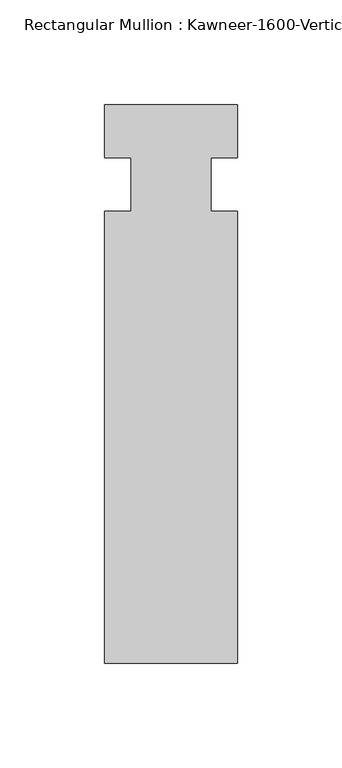
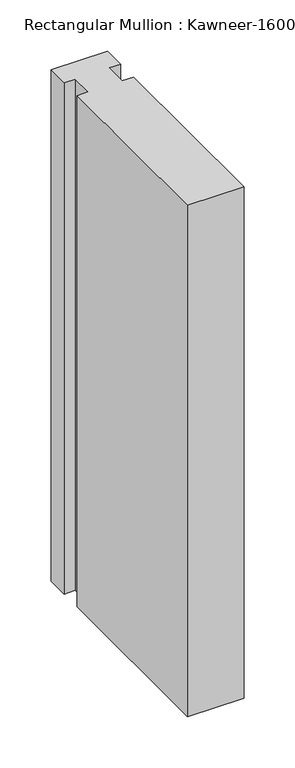
"""IFC4 building model written with IfcOpenShell, lengths in millimetres: member geometry."""

from ifc_helpers import new_model, si_unit, frame, origin, place, context, project, spatial, polyline, outline, extrude, source, transform, mapped, element, save


def member_c04b93ab(model_context):
    return source(origin(), model_context, "Body", "SweptSolid", [
        extrude(outline(polyline([(31.75, -228.6), (-31.75, -228.6), (-31.75, -12.7), (-19.05, -12.7), (-19.05, 12.7), (-31.75, 12.7), (-31.75, 38.1), (31.75, 38.1), (31.75, 12.7), (19.05, 12.7), (19.05, -12.7), (31.75, -12.7), (31.75, -228.6)])), frame((0.0, 0.0, -609.6), z_axis=(0.0, 0.0, 1.0), x_axis=(1.0, 0.0, 0.0)), (0.0, 0.0, 1.0), 609.6),
    ])


if __name__ == "__main__":
    model = new_model("IFC4")
    model_context = context("Model", 3, world=origin())
    ifc_project = project(units=[si_unit("LENGTHUNIT", "METRE", prefix="MILLI")], contexts=[model_context])
    site = spatial("IfcSite", under=ifc_project)
    building = spatial("IfcBuilding", under=site)
    placement = place(None, origin())
    member_shape = member_c04b93ab(model_context)
    element("IfcMember", 1, ObjectType="Rectangular Mullion : Kawneer-1600-Vertical_Interior-System1-10_1/2\"-1\"Infill", at=placement, inside=building, context=model_context, shape_type="MappedRepresentation", body=[
        mapped(member_shape, transform((0.0, 0.0, 0.0), x_axis=(1.0, 0.0, 0.0), y_axis=(0.0, 1.0, 0.0), z_axis=(0.0, 0.0, 1.0))),
    ])
    save(model, "model.ifc")
